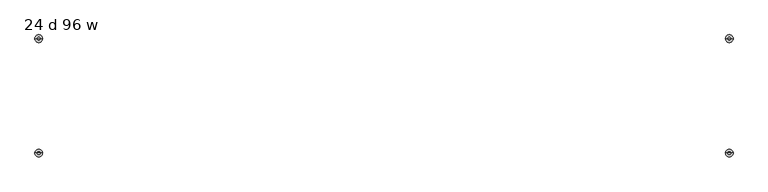
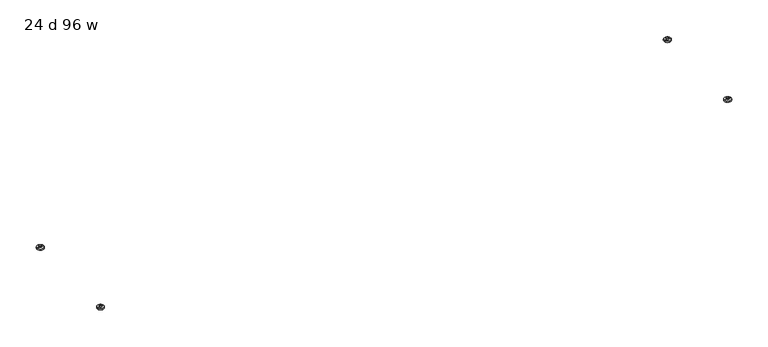
"""IFC4 building model written with IfcOpenShell, lengths in millimetres: furniture geometry, 24 d 96 w."""

from ifc_helpers import new_model, si_unit, point, frame, origin, place, context, project, spatial, circle_curve, ellipse_curve, trimmed, source, transform, mapped, element, save
from ifc_brep_helpers import plane_surface, cylinder_surface, revolved_surface, advanced_brep


def furniture_24_d_96_w_d2b2fcc1(model_context):
    return source(origin(), model_context, "Body", "AdvancedBrep", [
        advanced_brep(
        [(-1148.5322731, -191.2439953, 0.0), (-1153.6112333, -191.2439953, 0.0), (-1151.0717532, -191.2439953, 0.0), (-1138.374498, -191.2439953, 3.6684262), (-1163.7690084, -191.2439953, 3.6684262), (-1138.374498, -191.2439953, 7.8731999), (-1163.7690084, -191.2439953, 7.8731999), (-1146.3120222, -191.2439953, 7.8731999), (-1155.8314842, -191.2439953, 7.8731999), (-1146.3120222, -191.2439953, 12.2237497), (-1155.8314842, -191.2439953, 12.2237497), (-1151.0717532, -191.2439953, 12.2237497)],
        [
            (0, 1, circle_curve(frame((-1151.0717532, -191.2439953, 0.0), z_axis=(0.0, 0.0, -1.0), x_axis=(-1.0, 0.0, 0.0)), 2.5394801)),
            (1, 2),
            (2, 0),
            (1, 0, circle_curve(frame((-1151.0717532, -191.2439953, 0.0), z_axis=(0.0, 0.0, -1.0), x_axis=(-1.0, 0.0, 0.0)), 2.5394801)),
            (0, 3, circle_curve(frame((-1148.5322731, -191.2439953, 15.8975186), z_axis=(0.0, -1.0, 0.0), x_axis=(1.0, 0.0, 0.0)), 15.8975186)),
            (3, 4, circle_curve(frame((-1151.0717532, -191.2439953, 3.6684262), z_axis=(0.0, 0.0, -1.0), x_axis=(-1.0, 0.0, 0.0)), 12.6972552)),
            (4, 1, circle_curve(frame((-1153.6112333, -191.2439953, 15.8975186), z_axis=(0.0, -1.0, 0.0), x_axis=(-1.0, 0.0, 0.0)), 15.8975186)),
            (4, 3, circle_curve(frame((-1151.0717532, -191.2439953, 3.6684262), z_axis=(0.0, 0.0, -1.0), x_axis=(-1.0, 0.0, 0.0)), 12.6972552)),
            (3, 5),
            (5, 6, circle_curve(frame((-1151.0717532, -191.2439953, 7.8731999), z_axis=(0.0, 0.0, -1.0), x_axis=(-1.0, 0.0, 0.0)), 12.6972552)),
            (6, 4),
            (6, 5, circle_curve(frame((-1151.0717532, -191.2439953, 7.8731999), z_axis=(0.0, 0.0, -1.0), x_axis=(-1.0, 0.0, 0.0)), 12.6972552)),
            (5, 7),
            (7, 8, circle_curve(frame((-1151.0717532, -191.2439953, 7.8731999), z_axis=(0.0, 0.0, -1.0), x_axis=(-1.0, 0.0, 0.0)), 4.759731)),
            (8, 6),
            (8, 7, circle_curve(frame((-1151.0717532, -191.2439953, 7.8731999), z_axis=(0.0, 0.0, -1.0), x_axis=(-1.0, 0.0, 0.0)), 4.759731)),
            (7, 9),
            (9, 10, circle_curve(frame((-1151.0717532, -191.2439953, 12.2237497), z_axis=(0.0, 0.0, -1.0), x_axis=(-1.0, 0.0, 0.0)), 4.759731)),
            (10, 8),
            (10, 9, circle_curve(frame((-1151.0717532, -191.2439953, 12.2237497), z_axis=(0.0, 0.0, -1.0), x_axis=(-1.0, 0.0, 0.0)), 4.759731)),
            (9, 11),
            (11, 10),
        ],
        [
            plane_surface(frame((-1151.0717532, -191.2439953, 0.0), z_axis=(0.0, 0.0, -1.0), x_axis=(-1.0, 0.0, 0.0))),
            revolved_surface(trimmed(ellipse_curve(frame((-1153.6112333, -191.2439953, 15.8975186), z_axis=(0.0, 1.0, 0.0), x_axis=(-1.0, 0.0, 0.0)), 15.8975186, 15.8975186), [point((-1153.6112333, -191.2439953, 0.0))], [point((-1163.7690084, -191.2439953, 3.6684262))], True, "CARTESIAN"), (-1151.0717532, -191.2439953, 12.2237497), (0.0, 0.0, 1.0)),
            cylinder_surface(frame((-1151.0717532, -191.2439953, 12.2237497), z_axis=(0.0, 0.0, 1.0), x_axis=(-1.0, 0.0, 0.0)), 12.6972552),
            plane_surface(frame((-1151.0717532, -191.2439953, 7.8731999), z_axis=(0.0, 0.0, 1.0), x_axis=(-1.0, 0.0, 0.0))),
            cylinder_surface(frame((-1151.0717532, -191.2439953, 12.2237497), z_axis=(0.0, 0.0, 1.0), x_axis=(-1.0, 0.0, 0.0)), 4.759731),
            plane_surface(frame((-1151.0717532, -191.2439953, 12.2237497), z_axis=(0.0, 0.0, 1.0), x_axis=(-1.0, 0.0, 0.0))),
        ],
        [
            (0, [[1, 2, 3]]),
            (0, [[-2, 4, -3]]),
            (1, [[-1, 5, 6, 7]]),
            (1, [[-4, -7, 8, -5]]),
            (2, [[-6, 9, 10, 11]]),
            (2, [[-8, -11, 12, -9]]),
            (3, [[-10, 13, 14, 15]]),
            (3, [[-12, -15, 16, -13]]),
            (4, [[-14, 17, 18, 19]]),
            (4, [[-16, -19, 20, -17]]),
            (5, [[-18, 21, 22]]),
            (5, [[-20, -22, -21]]),
        ],
    ),
        advanced_brep(
        [(-1151.0717532, 191.2439953, 0.0), (-1153.6112333, 191.2439953, 0.0), (-1148.5322731, 191.2439953, 0.0), (-1163.7690084, 191.2439953, 3.6684262), (-1138.374498, 191.2439953, 3.6684262), (-1163.7690084, 191.2439953, 7.8731999), (-1138.374498, 191.2439953, 7.8731999), (-1155.8314842, 191.2439953, 7.8731999), (-1146.3120222, 191.2439953, 7.8731999), (-1155.8314842, 191.2439953, 12.2237497), (-1146.3120222, 191.2439953, 12.2237497), (-1151.0717532, 191.2439953, 12.2237497)],
        [
            (0, 1),
            (1, 2, circle_curve(frame((-1151.0717532, 191.2439953, 0.0), z_axis=(0.0, 0.0, -1.0), x_axis=(-1.0, 0.0, 0.0)), 2.5394801)),
            (2, 0),
            (2, 1, circle_curve(frame((-1151.0717532, 191.2439953, 0.0), z_axis=(0.0, 0.0, -1.0), x_axis=(-1.0, 0.0, 0.0)), 2.5394801)),
            (1, 3, circle_curve(frame((-1153.6112333, 191.2439953, 15.8975186), z_axis=(0.0, 1.0, 0.0), x_axis=(-1.0, 0.0, 0.0)), 15.8975186)),
            (3, 4, circle_curve(frame((-1151.0717532, 191.2439953, 3.6684262), z_axis=(0.0, 0.0, -1.0), x_axis=(-1.0, 0.0, 0.0)), 12.6972552)),
            (4, 2, circle_curve(frame((-1148.5322731, 191.2439953, 15.8975186), z_axis=(0.0, 1.0, 0.0), x_axis=(1.0, 0.0, 0.0)), 15.8975186)),
            (4, 3, circle_curve(frame((-1151.0717532, 191.2439953, 3.6684262), z_axis=(0.0, 0.0, -1.0), x_axis=(-1.0, 0.0, 0.0)), 12.6972552)),
            (3, 5),
            (5, 6, circle_curve(frame((-1151.0717532, 191.2439953, 7.8731999), z_axis=(0.0, 0.0, -1.0), x_axis=(-1.0, 0.0, 0.0)), 12.6972552)),
            (6, 4),
            (6, 5, circle_curve(frame((-1151.0717532, 191.2439953, 7.8731999), z_axis=(0.0, 0.0, -1.0), x_axis=(-1.0, 0.0, 0.0)), 12.6972552)),
            (5, 7),
            (7, 8, circle_curve(frame((-1151.0717532, 191.2439953, 7.8731999), z_axis=(0.0, 0.0, -1.0), x_axis=(-1.0, 0.0, 0.0)), 4.759731)),
            (8, 6),
            (8, 7, circle_curve(frame((-1151.0717532, 191.2439953, 7.8731999), z_axis=(0.0, 0.0, -1.0), x_axis=(-1.0, 0.0, 0.0)), 4.759731)),
            (7, 9),
            (9, 10, circle_curve(frame((-1151.0717532, 191.2439953, 12.2237497), z_axis=(0.0, 0.0, -1.0), x_axis=(-1.0, 0.0, 0.0)), 4.759731)),
            (10, 8),
            (10, 9, circle_curve(frame((-1151.0717532, 191.2439953, 12.2237497), z_axis=(0.0, 0.0, -1.0), x_axis=(-1.0, 0.0, 0.0)), 4.759731)),
            (9, 11),
            (11, 10),
        ],
        [
            plane_surface(frame((-1151.0717532, 191.2439953, 0.0), z_axis=(0.0, 0.0, -1.0), x_axis=(-1.0, 0.0, 0.0))),
            revolved_surface(trimmed(ellipse_curve(frame((-1153.6112333, 191.2439953, 15.8975186), z_axis=(0.0, -1.0, 0.0), x_axis=(-1.0, 0.0, 0.0)), 15.8975186, 15.8975186), [point((-1163.7690084, 191.2439953, 3.6684262))], [point((-1153.6112333, 191.2439953, 0.0))], True, "CARTESIAN"), (-1151.0717532, 191.2439953, 12.2237497), (0.0, 0.0, -1.0)),
            cylinder_surface(frame((-1151.0717532, 191.2439953, 12.2237497), z_axis=(0.0, 0.0, -1.0), x_axis=(-1.0, 0.0, 0.0)), 12.6972552),
            plane_surface(frame((-1151.0717532, 191.2439953, 7.8731999), z_axis=(0.0, 0.0, 1.0), x_axis=(-1.0, 0.0, 0.0))),
            cylinder_surface(frame((-1151.0717532, 191.2439953, 12.2237497), z_axis=(0.0, 0.0, -1.0), x_axis=(-1.0, 0.0, 0.0)), 4.759731),
            plane_surface(frame((-1151.0717532, 191.2439953, 12.2237497), z_axis=(0.0, 0.0, 1.0), x_axis=(-1.0, 0.0, 0.0))),
        ],
        [
            (0, [[1, 2, 3]]),
            (0, [[-1, -3, 4]]),
            (1, [[-2, 5, 6, 7]]),
            (1, [[-4, -7, 8, -5]]),
            (2, [[-6, 9, 10, 11]]),
            (2, [[-8, -11, 12, -9]]),
            (3, [[-10, 13, 14, 15]]),
            (3, [[-12, -15, 16, -13]]),
            (4, [[-14, 17, 18, 19]]),
            (4, [[-16, -19, 20, -17]]),
            (5, [[-18, 21, 22]]),
            (5, [[-20, -22, -21]]),
        ],
    ),
        advanced_brep(
        [(1151.0717532, -191.2439953, 0.0), (1153.6112333, -191.2439953, 0.0), (1148.5322731, -191.2439953, 0.0), (1163.7690084, -191.2439953, 3.6684262), (1138.374498, -191.2439953, 3.6684262), (1163.7690084, -191.2439953, 7.8731999), (1138.374498, -191.2439953, 7.8731999), (1155.8314842, -191.2439953, 7.8731999), (1146.3120222, -191.2439953, 7.8731999), (1155.8314842, -191.2439953, 12.2237497), (1146.3120222, -191.2439953, 12.2237497), (1151.0717532, -191.2439953, 12.2237497)],
        [
            (0, 1),
            (1, 2, circle_curve(frame((1151.0717532, -191.2439953, 0.0), z_axis=(0.0, 0.0, -1.0), x_axis=(1.0, 0.0, 0.0)), 2.5394801)),
            (2, 0),
            (2, 1, circle_curve(frame((1151.0717532, -191.2439953, 0.0), z_axis=(0.0, 0.0, -1.0), x_axis=(1.0, 0.0, 0.0)), 2.5394801)),
            (1, 3, circle_curve(frame((1153.6112333, -191.2439953, 15.8975186), z_axis=(0.0, -1.0, 0.0), x_axis=(-1.0, 0.0, 0.0)), 15.8975186)),
            (3, 4, circle_curve(frame((1151.0717532, -191.2439953, 3.6684262), z_axis=(0.0, 0.0, -1.0), x_axis=(1.0, 0.0, 0.0)), 12.6972552)),
            (4, 2, circle_curve(frame((1148.5322731, -191.2439953, 15.8975186), z_axis=(0.0, -1.0, 0.0), x_axis=(1.0, 0.0, 0.0)), 15.8975186)),
            (4, 3, circle_curve(frame((1151.0717532, -191.2439953, 3.6684262), z_axis=(0.0, 0.0, -1.0), x_axis=(1.0, 0.0, 0.0)), 12.6972552)),
            (3, 5),
            (5, 6, circle_curve(frame((1151.0717532, -191.2439953, 7.8731999), z_axis=(0.0, 0.0, -1.0), x_axis=(1.0, 0.0, 0.0)), 12.6972552)),
            (6, 4),
            (6, 5, circle_curve(frame((1151.0717532, -191.2439953, 7.8731999), z_axis=(0.0, 0.0, -1.0), x_axis=(1.0, 0.0, 0.0)), 12.6972552)),
            (5, 7),
            (7, 8, circle_curve(frame((1151.0717532, -191.2439953, 7.8731999), z_axis=(0.0, 0.0, -1.0), x_axis=(1.0, 0.0, 0.0)), 4.759731)),
            (8, 6),
            (8, 7, circle_curve(frame((1151.0717532, -191.2439953, 7.8731999), z_axis=(0.0, 0.0, -1.0), x_axis=(1.0, 0.0, 0.0)), 4.759731)),
            (7, 9),
            (9, 10, circle_curve(frame((1151.0717532, -191.2439953, 12.2237497), z_axis=(0.0, 0.0, -1.0), x_axis=(1.0, 0.0, 0.0)), 4.759731)),
            (10, 8),
            (10, 9, circle_curve(frame((1151.0717532, -191.2439953, 12.2237497), z_axis=(0.0, 0.0, -1.0), x_axis=(1.0, 0.0, 0.0)), 4.759731)),
            (9, 11),
            (11, 10),
        ],
        [
            plane_surface(frame((1151.0717532, -191.2439953, 0.0), z_axis=(0.0, 0.0, -1.0), x_axis=(1.0, 0.0, 0.0))),
            revolved_surface(trimmed(ellipse_curve(frame((1153.6112333, -191.2439953, 15.8975186), z_axis=(0.0, 1.0, 0.0), x_axis=(-1.0, 0.0, 0.0)), 15.8975186, 15.8975186), [point((1163.7690084, -191.2439953, 3.6684262))], [point((1153.6112333, -191.2439953, 0.0))], True, "CARTESIAN"), (1151.0717532, -191.2439953, 12.2237497), (0.0, 0.0, -1.0)),
            cylinder_surface(frame((1151.0717532, -191.2439953, 12.2237497), z_axis=(0.0, 0.0, -1.0), x_axis=(1.0, 0.0, 0.0)), 12.6972552),
            plane_surface(frame((1151.0717532, -191.2439953, 7.8731999), z_axis=(0.0, 0.0, 1.0), x_axis=(1.0, 0.0, 0.0))),
            cylinder_surface(frame((1151.0717532, -191.2439953, 12.2237497), z_axis=(0.0, 0.0, -1.0), x_axis=(1.0, 0.0, 0.0)), 4.759731),
            plane_surface(frame((1151.0717532, -191.2439953, 12.2237497), z_axis=(0.0, 0.0, 1.0), x_axis=(1.0, 0.0, 0.0))),
        ],
        [
            (0, [[1, 2, 3]]),
            (0, [[-1, -3, 4]]),
            (1, [[-2, 5, 6, 7]]),
            (1, [[-4, -7, 8, -5]]),
            (2, [[-6, 9, 10, 11]]),
            (2, [[-8, -11, 12, -9]]),
            (3, [[-10, 13, 14, 15]]),
            (3, [[-12, -15, 16, -13]]),
            (4, [[-14, 17, 18, 19]]),
            (4, [[-16, -19, 20, -17]]),
            (5, [[-18, 21, 22]]),
            (5, [[-20, -22, -21]]),
        ],
    ),
        advanced_brep(
        [(1148.5322731, 191.2439953, 0.0), (1153.6112333, 191.2439953, 0.0), (1151.0717532, 191.2439953, 0.0), (1138.374498, 191.2439953, 3.6684262), (1163.7690084, 191.2439953, 3.6684262), (1138.374498, 191.2439953, 7.8731999), (1163.7690084, 191.2439953, 7.8731999), (1146.3120222, 191.2439953, 7.8731999), (1155.8314842, 191.2439953, 7.8731999), (1146.3120222, 191.2439953, 12.2237497), (1155.8314842, 191.2439953, 12.2237497), (1151.0717532, 191.2439953, 12.2237497)],
        [
            (0, 1, circle_curve(frame((1151.0717532, 191.2439953, 0.0), z_axis=(0.0, 0.0, -1.0), x_axis=(1.0, 0.0, 0.0)), 2.5394801)),
            (1, 2),
            (2, 0),
            (1, 0, circle_curve(frame((1151.0717532, 191.2439953, 0.0), z_axis=(0.0, 0.0, -1.0), x_axis=(1.0, 0.0, 0.0)), 2.5394801)),
            (0, 3, circle_curve(frame((1148.5322731, 191.2439953, 15.8975186), z_axis=(0.0, 1.0, 0.0), x_axis=(1.0, 0.0, 0.0)), 15.8975186)),
            (3, 4, circle_curve(frame((1151.0717532, 191.2439953, 3.6684262), z_axis=(0.0, 0.0, -1.0), x_axis=(1.0, 0.0, 0.0)), 12.6972552)),
            (4, 1, circle_curve(frame((1153.6112333, 191.2439953, 15.8975186), z_axis=(0.0, 1.0, 0.0), x_axis=(-1.0, 0.0, 0.0)), 15.8975186)),
            (4, 3, circle_curve(frame((1151.0717532, 191.2439953, 3.6684262), z_axis=(0.0, 0.0, -1.0), x_axis=(1.0, 0.0, 0.0)), 12.6972552)),
            (3, 5),
            (5, 6, circle_curve(frame((1151.0717532, 191.2439953, 7.8731999), z_axis=(0.0, 0.0, -1.0), x_axis=(1.0, 0.0, 0.0)), 12.6972552)),
            (6, 4),
            (6, 5, circle_curve(frame((1151.0717532, 191.2439953, 7.8731999), z_axis=(0.0, 0.0, -1.0), x_axis=(1.0, 0.0, 0.0)), 12.6972552)),
            (5, 7),
            (7, 8, circle_curve(frame((1151.0717532, 191.2439953, 7.8731999), z_axis=(0.0, 0.0, -1.0), x_axis=(1.0, 0.0, 0.0)), 4.759731)),
            (8, 6),
            (8, 7, circle_curve(frame((1151.0717532, 191.2439953, 7.8731999), z_axis=(0.0, 0.0, -1.0), x_axis=(1.0, 0.0, 0.0)), 4.759731)),
            (7, 9),
            (9, 10, circle_curve(frame((1151.0717532, 191.2439953, 12.2237497), z_axis=(0.0, 0.0, -1.0), x_axis=(1.0, 0.0, 0.0)), 4.759731)),
            (10, 8),
            (10, 9, circle_curve(frame((1151.0717532, 191.2439953, 12.2237497), z_axis=(0.0, 0.0, -1.0), x_axis=(1.0, 0.0, 0.0)), 4.759731)),
            (9, 11),
            (11, 10),
        ],
        [
            plane_surface(frame((1151.0717532, 191.2439953, 0.0), z_axis=(0.0, 0.0, -1.0), x_axis=(1.0, 0.0, 0.0))),
            revolved_surface(trimmed(ellipse_curve(frame((1153.6112333, 191.2439953, 15.8975186), z_axis=(0.0, -1.0, 0.0), x_axis=(-1.0, 0.0, 0.0)), 15.8975186, 15.8975186), [point((1153.6112333, 191.2439953, 0.0))], [point((1163.7690084, 191.2439953, 3.6684262))], True, "CARTESIAN"), (1151.0717532, 191.2439953, 12.2237497), (0.0, 0.0, 1.0)),
            cylinder_surface(frame((1151.0717532, 191.2439953, 12.2237497), z_axis=(0.0, 0.0, 1.0), x_axis=(1.0, 0.0, 0.0)), 12.6972552),
            plane_surface(frame((1151.0717532, 191.2439953, 7.8731999), z_axis=(0.0, 0.0, 1.0), x_axis=(1.0, 0.0, 0.0))),
            cylinder_surface(frame((1151.0717532, 191.2439953, 12.2237497), z_axis=(0.0, 0.0, 1.0), x_axis=(1.0, 0.0, 0.0)), 4.759731),
            plane_surface(frame((1151.0717532, 191.2439953, 12.2237497), z_axis=(0.0, 0.0, 1.0), x_axis=(1.0, 0.0, 0.0))),
        ],
        [
            (0, [[1, 2, 3]]),
            (0, [[-2, 4, -3]]),
            (1, [[-1, 5, 6, 7]]),
            (1, [[-4, -7, 8, -5]]),
            (2, [[-6, 9, 10, 11]]),
            (2, [[-8, -11, 12, -9]]),
            (3, [[-10, 13, 14, 15]]),
            (3, [[-12, -15, 16, -13]]),
            (4, [[-14, 17, 18, 19]]),
            (4, [[-16, -19, 20, -17]]),
            (5, [[-18, 21, 22]]),
            (5, [[-20, -22, -21]]),
        ],
    ),
    ])


if __name__ == "__main__":
    model = new_model("IFC4")
    model_context = context("Model", 3, world=origin())
    ifc_project = project(units=[si_unit("LENGTHUNIT", "METRE", prefix="MILLI")], contexts=[model_context])
    site = spatial("IfcSite", under=ifc_project)
    building = spatial("IfcBuilding", under=site)
    placement = place(None, origin())
    furniture_24_d_96_w_shape = furniture_24_d_96_w_d2b2fcc1(model_context)
    element("IfcFurniture", 1, ObjectType="24 d 96 w", at=placement, inside=building, context=model_context, shape_type="MappedRepresentation", body=[
        mapped(furniture_24_d_96_w_shape, transform((0.0, 0.0, 0.0), x_axis=(1.0, 0.0, 0.0), y_axis=(0.0, 1.0, 0.0), z_axis=(0.0, 0.0, 1.0))),
    ])
    save(model, "model.ifc")
